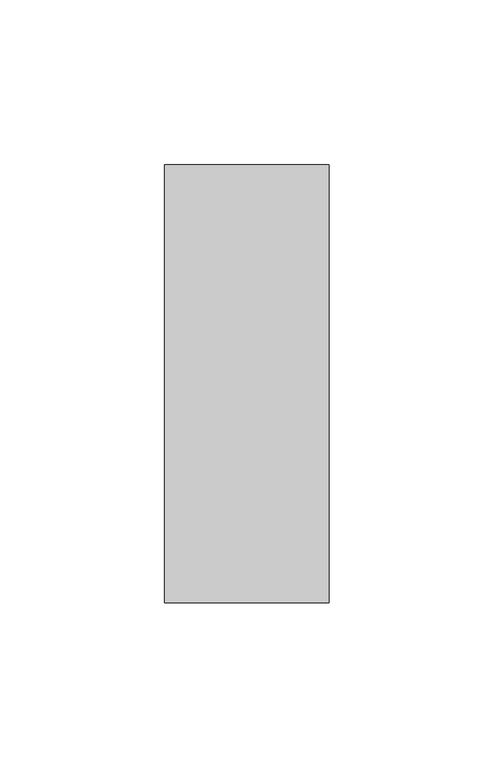
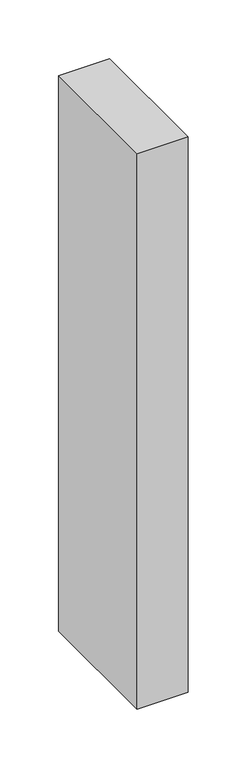
"""IFC4 building model written with IfcOpenShell, lengths in millimetres: member geometry."""

from ifc_helpers import new_model, si_unit, frame, origin, place, context, project, spatial, polyline, outline, extrude, source, transform, mapped, element, save


def member_1366773b(model_context):
    return source(origin(), model_context, "Body", "SweptSolid", [
        extrude(outline(polyline([(-50.0, -22.0), (-50.0, 111.0), (0.0, 111.0), (0.0, -22.0), (-50.0, -22.0)])), frame((0.0, 0.0, -575.0), z_axis=(0.0, 0.0, 1.0), x_axis=(1.0, 0.0, 0.0)), (0.0, 0.0, 1.0), 575.0),
    ])


if __name__ == "__main__":
    model = new_model("IFC4")
    model_context = context("Model", 3, world=origin())
    ifc_project = project(units=[si_unit("LENGTHUNIT", "METRE", prefix="MILLI")], contexts=[model_context])
    site = spatial("IfcSite", under=ifc_project)
    building = spatial("IfcBuilding", under=site)
    placement = place(None, origin())
    member_shape = member_1366773b(model_context)
    element("IfcMember", 1, at=placement, inside=building, context=model_context, shape_type="MappedRepresentation", body=[
        mapped(member_shape, transform((0.0, 0.0, 0.0), x_axis=(1.0, 0.0, 0.0), y_axis=(0.0, 1.0, 0.0), z_axis=(0.0, 0.0, 1.0))),
    ])
    save(model, "model.ifc")
